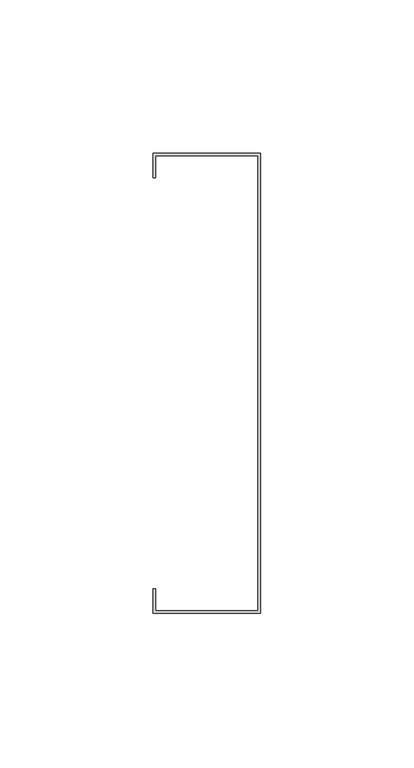
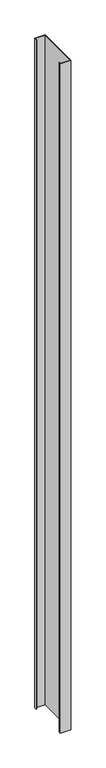
"""IFC4 building model written with IfcOpenShell, lengths in millimetres: proxy geometry."""

from ifc_helpers import new_model, si_unit, origin, origin_with_axes, place, context, project, spatial, polyline, outline, extrude, source, transform, mapped, element, save


def generic_models_2c2d11f1(model_context):
    return source(origin(), model_context, "Body", "SweptSolid", [
        extrude(outline(polyline([(17.5, 32.0), (17.5, -118.0), (-17.5, -118.0), (-17.5, -110.0363892), (-16.7, -110.0363892), (-16.7, -117.1653155), (16.655552, -117.1653155), (16.655552, 31.2), (-16.7, 31.2), (-16.7, 24.0211392), (-17.5, 24.0211392), (-17.5, 32.0), (17.5, 32.0)])), origin_with_axes(), (0.0, 0.0, 1.0), 2400.0),
    ])


if __name__ == "__main__":
    model = new_model("IFC4")
    model_context = context("Model", 3, world=origin())
    ifc_project = project(units=[si_unit("LENGTHUNIT", "METRE", prefix="MILLI")], contexts=[model_context])
    site = spatial("IfcSite", under=ifc_project)
    building = spatial("IfcBuilding", under=site)
    placement = place(None, origin())
    generic_models_shape = generic_models_2c2d11f1(model_context)
    element("IfcBuildingElementProxy", 1, Name="Generic Models", at=placement, inside=building, context=model_context, shape_type="MappedRepresentation", body=[
        mapped(generic_models_shape, transform((0.0, 0.0, 0.0), x_axis=(1.0, 0.0, 0.0), y_axis=(0.0, 1.0, 0.0), z_axis=(0.0, 0.0, 1.0))),
    ])
    save(model, "model.ifc")
